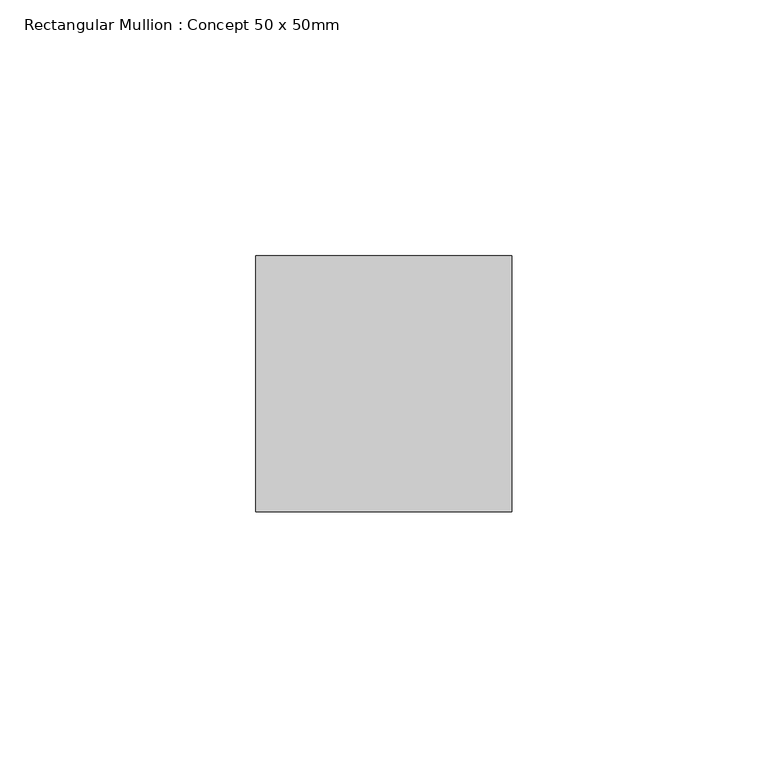
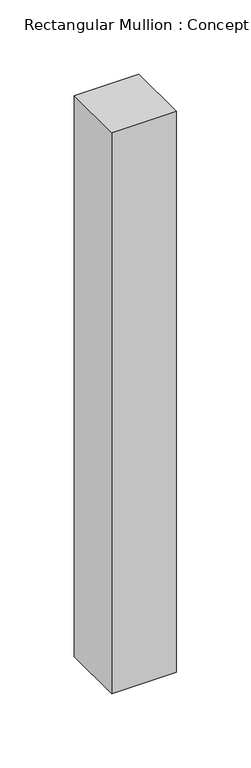
"""IFC4 building model written with IfcOpenShell, lengths in millimetres: member geometry, Rectangular Mullion : Concept 50 x 50mm."""

from ifc_helpers import new_model, si_unit, frame, origin, place, context, project, spatial, polyline, outline, extrude, source, transform, mapped, element, save


def rectangular_mullion_concept_50_x_50mm_1f2f728a(model_context):
    return source(origin(), model_context, "Body", "SweptSolid", [
        extrude(outline(polyline([(0.0, 50.0), (0.0, 0.0), (-50.0, 0.0), (-50.0, 50.0), (0.0, 50.0)])), frame((0.0, 0.0, -460.0), z_axis=(0.0, 0.0, 1.0), x_axis=(1.0, 0.0, 0.0)), (0.0, 0.0, 1.0), 460.0),
    ])


if __name__ == "__main__":
    model = new_model("IFC4")
    model_context = context("Model", 3, world=origin())
    ifc_project = project(units=[si_unit("LENGTHUNIT", "METRE", prefix="MILLI")], contexts=[model_context])
    site = spatial("IfcSite", under=ifc_project)
    building = spatial("IfcBuilding", under=site)
    placement = place(None, origin())
    rectangular_mullion_concept_50_x_50mm_shape = rectangular_mullion_concept_50_x_50mm_1f2f728a(model_context)
    element("IfcMember", 1, ObjectType="Rectangular Mullion : Concept 50 x 50mm", at=placement, inside=building, context=model_context, shape_type="MappedRepresentation", body=[
        mapped(rectangular_mullion_concept_50_x_50mm_shape, transform((0.0, 0.0, 0.0), x_axis=(1.0, 0.0, 0.0), y_axis=(0.0, 1.0, 0.0), z_axis=(0.0, 0.0, 1.0))),
    ])
    save(model, "model.ifc")
